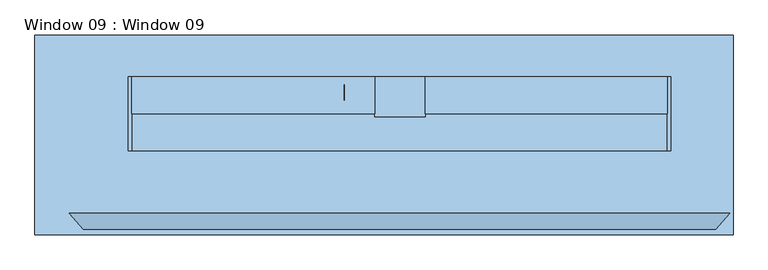
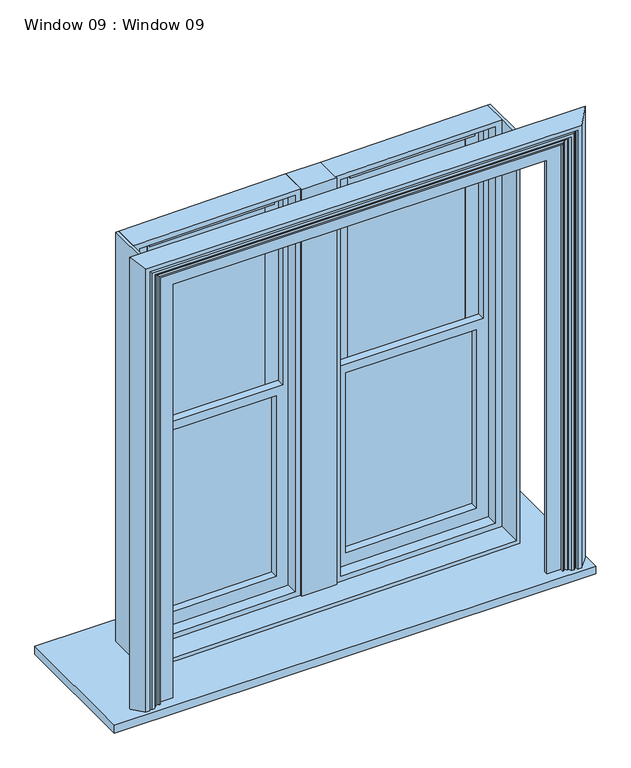
"""IFC4 building model written with IfcOpenShell, lengths in millimetres: window geometry, Window 09 : Window 09."""

from ifc_helpers import new_model, si_unit, frame, origin, place, context, project, spatial, polyline, outline, extrude, faceted_brep, source, transform, mapped, element, save


def window_09_window_09_74b027b5(model_context):
    return source(origin(), model_context, "Body", "SolidModel", [
        extrude(outline(polyline([(0.0, -591.1963572), (0.0, 0.0), (50.7127687, 0.0), (50.7127687, -591.1963572), (0.0, -591.1963572)])), frame((-771.1188015, 78.74, 2939.0925236), z_axis=(-0.01133161059993789, 0.0, 0.9999357952394801), x_axis=(0.0, 1.0, 0.0)), (0.0, 0.0, 1.0), 31.75),
        extrude(outline(polyline([(0.0, -591.1963571), (0.0, 0.0), (50.7127687, 0.0), (50.7127687, -591.1963571), (0.0, -591.1963571)])), frame((180.3110216, 78.74, 2949.8744481), z_axis=(-0.01133161059993698, 0.0, 0.9999357952394801), x_axis=(0.0, 1.0, 0.0)), (0.0, 0.0, 1.0), 31.75),
        extrude(outline(polyline([(1091.184, -361.95), (-1192.784, -361.95), (-1192.784, 292.1), (1091.184, 292.1), (1091.184, -361.95)])), frame((0.0, 0.0, 914.4), z_axis=(0.0, 0.0, 1.0), x_axis=(1.0, 0.0, 0.0)), (0.0, 0.0, 1.0), 38.1),
        extrude(outline(polyline([(1970.9882241, -164.0298231), (1970.9882241, -786.3298231), (1057.9012491, -786.3298231), (1064.9533631, -164.0298231), (1970.9882241, -164.0298231)])), frame((0.0, 129.54, 0.0), z_axis=(0.0, 1.0, 0.0), x_axis=(0.0, 0.0, 1.0)), (0.0, 0.0, 1.0), 25.4),
        extrude(outline(polyline([(1970.9882241, 786.3298231), (1970.9882241, 166.1701769), (1068.6953012, 166.1701769), (1075.7231601, 786.3298231), (1970.9882241, 786.3298231)])), frame((0.0, 129.54, 0.0), z_axis=(0.0, 1.0, 0.0), x_axis=(0.0, 0.0, 1.0)), (0.0, 0.0, 1.0), 25.4),
        extrude(outline(polyline([(2913.8604208, -195.7798231), (2907.5279102, -754.5798231), (2015.4382241, -754.5798231), (2015.4382241, -195.7798231), (2913.8604208, -195.7798231)])), frame((0.0, 129.54, 0.0), z_axis=(0.0, 1.0, 0.0), x_axis=(0.0, 0.0, 1.0)), (0.0, 0.0, 1.0), 25.4),
        extrude(outline(polyline([(2924.6302177, 754.5798231), (2918.3219624, 197.9201769), (2015.4382241, 197.9201769), (2015.4382241, 754.5798231), (2924.6302177, 754.5798231)])), frame((0.0, 129.54, 0.0), z_axis=(0.0, 1.0, 0.0), x_axis=(0.0, 0.0, 1.0)), (0.0, 0.0, 1.0), 25.4),
        extrude(outline(polyline([(2978.0841015, -132.2798231), (2970.312384, -818.0798231), (2015.4382241, -818.0798231), (2015.4382241, -754.5798231), (2907.5279102, -754.5798231), (2913.8604208, -195.7798231), (2015.4382241, -195.7798231), (2015.4382241, -132.2798231), (2978.0841015, -132.2798231)])), frame((0.0, 129.4527687, 0.0), z_axis=(0.0, 1.0, 0.0), x_axis=(0.0, 0.0, 1.0)), (0.0, 0.0, 1.0), 25.4872313),
        extrude(outline(polyline([(2988.8538985, 818.0798231), (2981.1064361, 134.4201769), (2015.4382241, 134.4201769), (2015.4382241, 197.9201769), (2918.3219624, 197.9201769), (2924.6302177, 754.5798231), (2015.4382241, 754.5798231), (2015.4382241, 818.0798231), (2988.8538985, 818.0798231)])), frame((0.0, 129.4527687, 0.0), z_axis=(0.0, 1.0, 0.0), x_axis=(0.0, 0.0, 1.0)), (0.0, 0.0, 1.0), 25.4872313),
        extrude(outline(polyline([(2991.0727584, -106.8798231), (2982.7253581, -843.4798231), (993.753606, -843.4798231), (1002.1010063, -106.8798231), (2991.0727584, -106.8798231)]), holes=[polyline([(2015.4382241, -818.0798231), (2970.312384, -818.0798231), (2978.0841015, -132.2798231), (2015.4382241, -132.2798231), (2015.4382241, -818.0798231)]), polyline([(1970.9882241, -164.0298231), (1064.9533631, -164.0298231), (1057.9012491, -786.3298231), (1970.9882241, -786.3298231), (1970.9882241, -164.0298231)])]), frame((0.0, 91.3527687, 0.0), z_axis=(0.0, 1.0, 0.0), x_axis=(0.0, 0.0, 1.0)), (0.0, 0.0, 1.0), 63.5872313),
        extrude(outline(polyline([(3001.8425553, 843.4798231), (2993.5194102, 109.0201769), (1004.5476581, 109.0201769), (1012.8708032, 843.4798231), (3001.8425553, 843.4798231)]), holes=[polyline([(1970.9882241, 166.1701769), (1970.9882241, 786.3298231), (1075.7231601, 786.3298231), (1068.6953012, 166.1701769), (1970.9882241, 166.1701769)]), polyline([(2981.1064361, 134.4201769), (2988.8538985, 818.0798231), (2015.4382241, 818.0798231), (2015.4382241, 134.4201769), (2981.1064361, 134.4201769)])]), frame((0.0, 91.3527687, 0.0), z_axis=(0.0, 1.0, 0.0), x_axis=(0.0, 0.0, 1.0)), (0.0, 0.0, 1.0), 63.5872313),
        extrude(outline(polyline([(3007.7663718, -875.2298231), (967.9938042, -875.2298231), (976.9888477, -81.4798231), (3016.7614152, -81.4798231), (3007.7663718, -875.2298231)]), holes=[polyline([(2982.7253581, -843.4798231), (2991.0727584, -106.8798231), (1002.1010063, -106.8798231), (993.753606, -843.4798231), (2982.7253581, -843.4798231)])]), frame((0.0, 34.2027687, 0.0), z_axis=(0.0, 1.0, 0.0), x_axis=(0.0, 0.0, 1.0)), (0.0, 0.0, 1.0), 120.7372313),
        extrude(outline(polyline([(3018.6323843, 83.6201769), (978.8598167, 83.6201769), (987.8306049, 875.2298231), (3027.6031725, 875.2298231), (3018.6323843, 83.6201769)]), holes=[polyline([(2993.5194102, 109.0201769), (3001.8425553, 843.4798231), (1012.8708032, 843.4798231), (1004.5476581, 109.0201769), (2993.5194102, 109.0201769)])]), frame((0.0, 34.2027687, 0.0), z_axis=(0.0, 1.0, 0.0), x_axis=(0.0, 0.0, 1.0)), (0.0, 0.0, 1.0), 120.7372313),
        extrude(outline(polyline([(976.9888477, -81.4798231), (978.8598167, 83.6201769), (3018.6323843, 83.6201769), (3016.7614152, -81.4798231), (976.9888477, -81.4798231)])), frame((0.0, 23.675003, 0.0), z_axis=(0.0, 1.0, 0.0), x_axis=(0.0, 0.0, 1.0)), (0.0, 0.0, 1.0), 131.264997),
        extrude(outline(polyline([(3007.6218372, -875.2298231), (3007.6218372, -887.984), (951.9732503, -887.984), (972.0991202, 887.984), (3027.7477071, 887.984), (3027.6031725, 875.2298231), (987.8306049, 875.2298231), (967.9938042, -875.2298231), (3007.6218372, -875.2298231)])), frame((0.0, -86.4472313, 0.0), z_axis=(0.0, 1.0, 0.0), x_axis=(0.0, 0.0, 1.0)), (0.0, 0.0, 1.0), 241.3872313),
        faceted_brep([(887.984, -292.1, 952.5), (1080.7670809, -292.1, 952.5), (1034.1264656, -343.9582935, 952.5), (1014.9153909, -343.9582935, 952.5), (1014.9153909, -332.449835, 952.5), (1009.7659991, -332.449835, 952.5), (1001.620647, -340.2869133, 952.5), (989.6556738, -340.2869133, 952.5), (982.2973111, -328.1364376, 952.5), (977.0727572, -328.1364376, 952.5), (966.7473264, -319.8569351, 952.5), (959.9472974, -325.9244725, 952.5), (954.3615017, -325.9244725, 952.5), (954.3615017, -310.7962122, 952.5), (887.984, -310.7962122, 952.5), (887.984, -292.1, 3027.68), (-887.984, -292.1, 3027.68), (-887.984, -292.1, 952.5), (-1080.7670809, -292.1, 952.5), (-1080.7670809, -292.1, 3220.4630809), (1080.7670809, -292.1, 3220.4630809), (1034.1264656, -343.9582935, 3173.8224656), (-1034.1264656, -343.9582935, 3173.8224656), (-1034.1264656, -343.9582935, 952.5), (-1014.9153909, -343.9582935, 952.5), (-1014.9153909, -343.9582935, 3154.6113909), (1014.9153909, -343.9582935, 3154.6113909), (1014.9153909, -332.449835, 3154.6113909), (-1014.9153909, -332.449835, 3154.6113909), (-1014.9153909, -332.449835, 952.5), (-1009.7659991, -332.449835, 952.5), (-1009.7659991, -332.449835, 3149.4619991), (1009.7659991, -332.449835, 3149.4619991), (1001.620647, -340.2869133, 3141.316647), (-1001.620647, -340.2869133, 3141.316647), (-1001.620647, -340.2869133, 952.5), (-989.6556738, -340.2869133, 952.5), (-989.6556738, -340.2869133, 3129.3516738), (989.6556738, -340.2869133, 3129.3516738), (982.2973111, -328.1364376, 3121.9933111), (-982.2973111, -328.1364376, 3121.9933111), (-982.2973111, -328.1364376, 952.5), (-977.0727572, -328.1364376, 952.5), (-977.0727572, -328.1364376, 3116.7687572), (977.0727572, -328.1364376, 3116.7687572), (966.7473264, -319.8569351, 3106.4433264), (959.9472974, -325.9244725, 3099.6432974), (-959.9472974, -325.9244725, 3099.6432974), (-959.9472974, -325.9244725, 952.5), (-954.3615017, -325.9244725, 952.5), (-954.3615017, -325.9244725, 3094.0575017), (954.3615017, -325.9244725, 3094.0575017), (954.3615017, -310.7962122, 3094.0575017), (-954.3615017, -310.7962122, 3094.0575017), (-954.3615017, -310.7962122, 952.5), (-887.984, -310.7962122, 952.5), (-887.984, -310.7962122, 3027.68), (887.984, -310.7962122, 3027.68), (-966.7473264, -319.8569351, 952.5), (-966.7473264, -319.8569351, 3106.4433264)], [[[0, 1, 2, 3, 4, 5, 6, 7, 8, 9, 10, 11, 12, 13, 14]], [[1, 0, 15, 16, 17, 18, 19, 20]], [[2, 1, 20, 21]], [[3, 2, 21, 22, 23, 24, 25, 26]], [[4, 3, 26, 27]], [[5, 4, 27, 28, 29, 30, 31, 32]], [[6, 5, 32, 33]], [[7, 6, 33, 34, 35, 36, 37, 38]], [[8, 7, 38, 39]], [[9, 8, 39, 40, 41, 42, 43, 44]], [[10, 9, 44, 45]], [[11, 10, 45, 46]], [[12, 11, 46, 47, 48, 49, 50, 51]], [[13, 12, 51, 52]], [[14, 13, 52, 53, 54, 55, 56, 57]], [[0, 14, 57, 15]], [[17, 55, 54, 49, 48, 58, 42, 41, 36, 35, 30, 29, 24, 23, 18]], [[16, 56, 55, 17]], [[53, 50, 49, 54]], [[47, 59, 58, 48]], [[59, 43, 42, 58]], [[40, 37, 36, 41]], [[34, 31, 30, 35]], [[28, 25, 24, 29]], [[22, 19, 18, 23]], [[15, 57, 56, 16]], [[21, 20, 19, 22]], [[27, 26, 25, 28]], [[33, 32, 31, 34]], [[39, 38, 37, 40]], [[45, 44, 43, 59]], [[46, 45, 59, 47]], [[52, 51, 50, 53]]]),
    ])


if __name__ == "__main__":
    model = new_model("IFC4")
    model_context = context("Model", 3, world=origin())
    ifc_project = project(units=[si_unit("LENGTHUNIT", "METRE", prefix="MILLI")], contexts=[model_context])
    site = spatial("IfcSite", under=ifc_project)
    building = spatial("IfcBuilding", under=site)
    placement = place(None, origin())
    window_09_window_09_shape = window_09_window_09_74b027b5(model_context)
    element("IfcWindow", 1, ObjectType="Window 09 : Window 09", at=placement, inside=building, context=model_context, shape_type="MappedRepresentation", body=[
        mapped(window_09_window_09_shape, transform((0.0, 0.0, 0.0), x_axis=(1.0, 0.0, 0.0), y_axis=(0.0, 1.0, 0.0), z_axis=(0.0, 0.0, 1.0))),
    ])
    save(model, "model.ifc")
